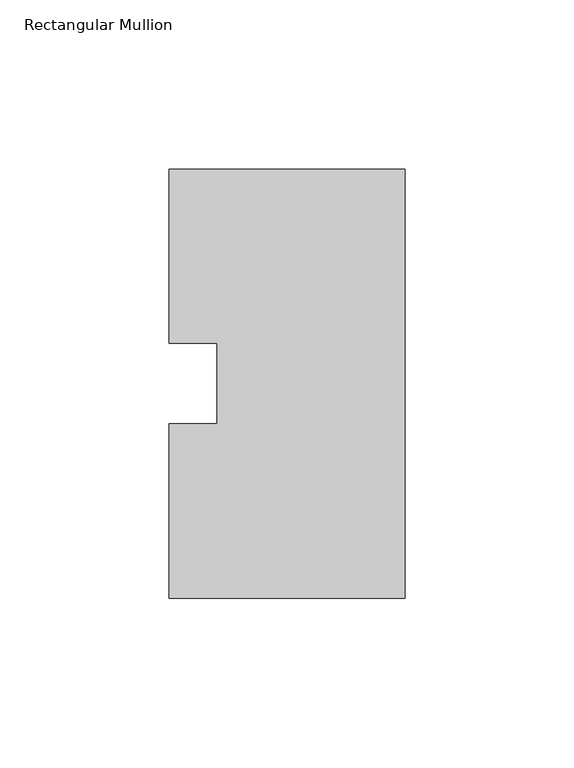
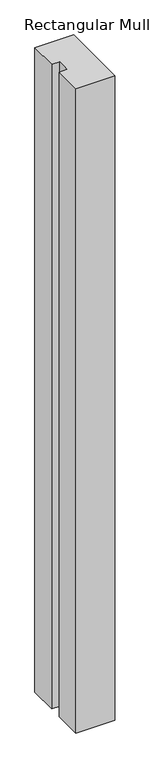
"""IFC4 building model written with IfcOpenShell, lengths in millimetres: member geometry, Rectangular Mullion."""

from ifc_helpers import new_model, si_unit, frame, origin, place, context, project, spatial, polyline, outline, extrude, source, transform, mapped, element, save


def rectangular_mullion_93c79cf7(model_context):
    return source(origin(), model_context, "Body", "SweptSolid", [
        extrude(outline(polyline([(0.0, 127.00635), (0.0, 0.00635), (-69.85, 0.00635), (-69.85, 51.60645), (-55.5625, 51.60645), (-55.5625, 75.40625), (-69.85, 75.40625), (-69.85, 127.00635), (0.0, 127.00635)])), frame((0.0, 0.0, -1219.2), z_axis=(0.0, 0.0, 1.0), x_axis=(1.0, 0.0, 0.0)), (0.0, 0.0, 1.0), 1219.2),
    ])


if __name__ == "__main__":
    model = new_model("IFC4")
    model_context = context("Model", 3, world=origin())
    ifc_project = project(units=[si_unit("LENGTHUNIT", "METRE", prefix="MILLI")], contexts=[model_context])
    site = spatial("IfcSite", under=ifc_project)
    building = spatial("IfcBuilding", under=site)
    placement = place(None, origin())
    rectangular_mullion_shape = rectangular_mullion_93c79cf7(model_context)
    element("IfcMember", 1, ObjectType="Rectangular Mullion", at=placement, inside=building, context=model_context, shape_type="MappedRepresentation", body=[
        mapped(rectangular_mullion_shape, transform((0.0, 0.0, 0.0), x_axis=(1.0, 0.0, 0.0), y_axis=(0.0, 1.0, 0.0), z_axis=(0.0, 0.0, 1.0))),
    ])
    save(model, "model.ifc")
